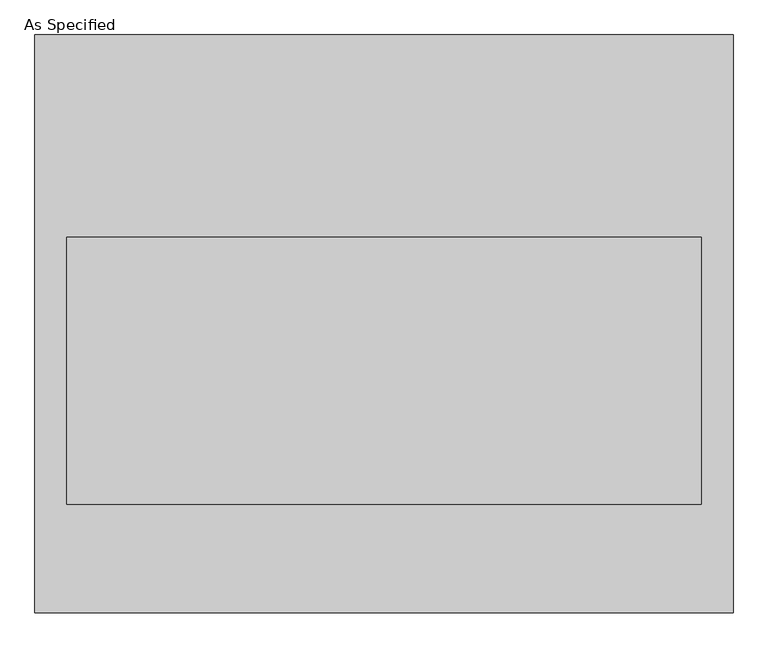
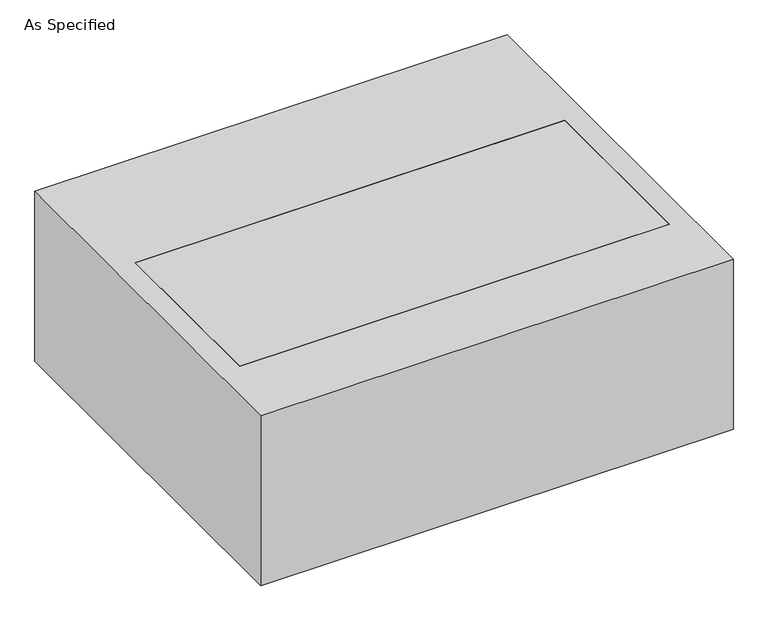
"""IFC4 building model written with IfcOpenShell, lengths in millimetres: proxy geometry, As Specified."""

from ifc_helpers import new_model, si_unit, frame, origin, place, context, project, spatial, polyline, outline, extrude, source, transform, mapped, element, save


def as_specified_9d04fee6(model_context):
    return source(origin(), model_context, "Body", "SweptSolid", [
        extrude(outline(polyline([(-663.575, -549.275), (-663.575, 549.275), (663.575, 549.275), (663.575, -549.275), (-663.575, -549.275)]), holes=[polyline([(603.25, 165.1), (-603.25, 165.1), (-603.25, -342.9), (603.25, -342.9), (603.25, 165.1)])]), frame((0.0, 0.0, -530.225), z_axis=(0.0, 0.0, 1.0), x_axis=(1.0, 0.0, 0.0)), (0.0, 0.0, 1.0), 504.825),
        extrude(outline(polyline([(603.25, 165.1), (603.25, -342.9), (-603.25, -342.9), (-603.25, 165.1), (603.25, 165.1)])), frame((0.0, 0.0, -530.225), z_axis=(0.0, 0.0, 1.0), x_axis=(1.0, 0.0, 0.0)), (0.0, 0.0, 1.0), 504.825),
    ])


if __name__ == "__main__":
    model = new_model("IFC4")
    model_context = context("Model", 3, world=origin())
    ifc_project = project(units=[si_unit("LENGTHUNIT", "METRE", prefix="MILLI")], contexts=[model_context])
    site = spatial("IfcSite", under=ifc_project)
    building = spatial("IfcBuilding", under=site)
    placement = place(None, origin())
    as_specified_shape = as_specified_9d04fee6(model_context)
    element("IfcBuildingElementProxy", 1, Name="As Specified", ObjectType="As Specified", at=placement, inside=building, context=model_context, shape_type="MappedRepresentation", body=[
        mapped(as_specified_shape, transform((0.0, 0.0, 0.0), x_axis=(1.0, 0.0, 0.0), y_axis=(0.0, 1.0, 0.0), z_axis=(0.0, 0.0, 1.0))),
    ])
    save(model, "model.ifc")
